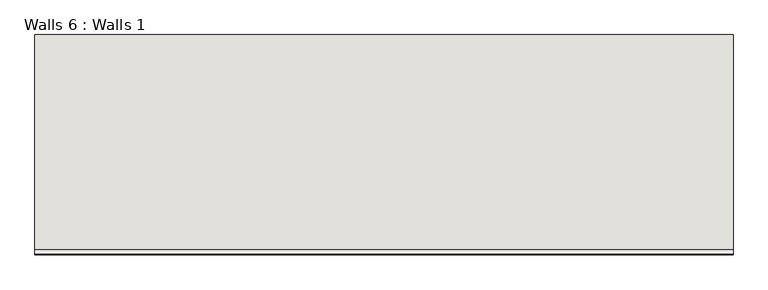
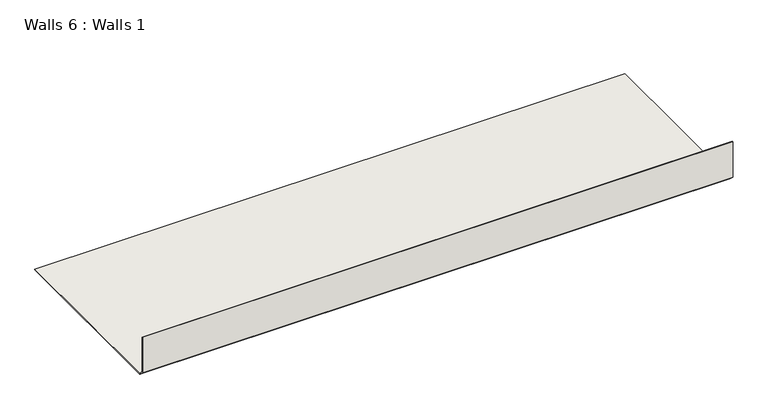
"""IFC4 building model written with IfcOpenShell, lengths in millimetres: wall geometry, Walls 6 : Walls 1."""

from ifc_helpers import new_model, si_unit, frame, origin, place, context, project, spatial, polyline, outline, extrude, source, transform, mapped, element, save


def walls_6_walls_1_76293b51(model_context):
    return source(origin(), model_context, "Body", "SweptSolid", [
        extrude(outline(polyline([(2235.9000014, 3.1732159), (2985.8116335, 3.1732159), (2985.8116335, 0.0), (2234.5830893, 0.0), (2215.5330893, 19.05), (2215.5330893, 172.5360524), (2218.7080893, 172.5360524), (2218.7080893, 20.3651281), (2235.9000014, 3.1732159)])), frame((75.4987811, 0.0, 0.0), z_axis=(1.0, 0.0, 0.0), x_axis=(0.0, 1.0, 0.0)), (0.0, 0.0, 1.0), 2438.4),
    ])


if __name__ == "__main__":
    model = new_model("IFC4")
    model_context = context("Model", 3, world=origin())
    ifc_project = project(units=[si_unit("LENGTHUNIT", "METRE", prefix="MILLI")], contexts=[model_context])
    site = spatial("IfcSite", under=ifc_project)
    building = spatial("IfcBuilding", under=site)
    placement = place(None, origin())
    walls_6_walls_1_shape = walls_6_walls_1_76293b51(model_context)
    element("IfcWall", 1, ObjectType="Walls 6 : Walls 1", at=placement, inside=building, context=model_context, shape_type="MappedRepresentation", body=[
        mapped(walls_6_walls_1_shape, transform((0.0, 0.0, 0.0), x_axis=(1.0, 0.0, 0.0), y_axis=(0.0, 1.0, 0.0), z_axis=(0.0, 0.0, 1.0))),
    ])
    save(model, "model.ifc")
